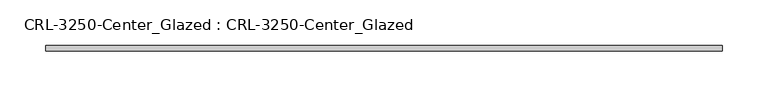
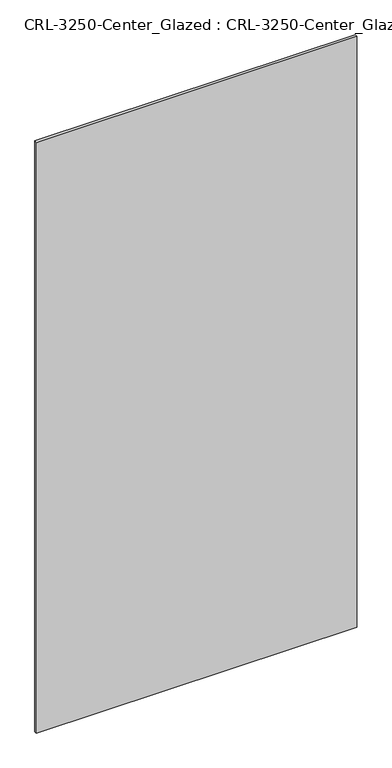
"""IFC4 building model written with IfcOpenShell, lengths in millimetres: plate geometry, CRL-3250-Center_Glazed : CRL-3250-Center_Glazed."""

import ifcopenshell
import ifcopenshell.guid

model = None  # the IFC model being written
_history = None  # IfcOwnerHistory: only IFC2X3 demands one
_inside = {}  # id of a spatial element -> (the spatial element, [elements in it])
_under = {}  # id of a project, library or spatial element -> (it, [spatial elements below it])
_declared = {}  # id of a project -> (the project, [libraries it declares])
_typed = {}  # id of a type object -> (the type object, [elements of that type])
_made_of = {}  # id of a material, layer set ... -> (it, [elements and type objects made of it])


def new_model(schema):
    """Start an empty IFC model of exactly this schema.

    Asked for "IFC4X3", IfcOpenShell would pick the latest addendum, in which some entities
    have other attributes; the version numbers below select the first issue.
    IFC2X3 requires an IfcOwnerHistory on every rooted entity: one is made here for all.
    """
    global model, _history
    if schema == "IFC4X3":
        model = ifcopenshell.file(schema_version=(4, 3, 0, 0))
    else:
        model = ifcopenshell.file(schema=schema)
    _inside.clear()
    _under.clear()
    _declared.clear()
    _typed.clear()
    _made_of.clear()
    _history = None
    if model.schema == "IFC2X3":
        org = make("IfcOrganization", Name="unknown")
        user = make(
            "IfcPersonAndOrganization",
            ThePerson=make("IfcPerson", FamilyName="unknown"),
            TheOrganization=org,
        )
        app = make(
            "IfcApplication",
            ApplicationDeveloper=org,
            Version="unknown",
            ApplicationFullName="unknown",
            ApplicationIdentifier="unknown",
        )
        _history = make(
            "IfcOwnerHistory",
            OwningUser=user,
            OwningApplication=app,
            ChangeAction="ADDED",
            CreationDate=0,
        )
    return model


def make(cls, **values):
    """One entity of the class cls with the attributes given. An attribute that is None is left unset."""
    return model.create_entity(
        cls, **{name: value for name, value in values.items() if value is not None}
    )


def rooted(cls, **values):
    """An entity with a GlobalId (a new one), such as an element, a storey or a relation."""
    return make(cls, GlobalId=ifcopenshell.guid.new(), OwnerHistory=_history, **values)


def si_unit(unit_type, name, prefix=None):
    """IfcSIUnit, for example si_unit("LENGTHUNIT", "METRE", prefix="MILLI")."""
    return make("IfcSIUnit", UnitType=unit_type, Prefix=prefix, Name=name)


def assignment(units):
    """IfcUnitAssignment: the units of a project."""
    return None if units is None else make("IfcUnitAssignment", Units=units)


def point(xyz):
    """IfcCartesianPoint."""
    return None if xyz is None else make("IfcCartesianPoint", Coordinates=xyz)


def direction(xyz):
    """IfcDirection."""
    return None if xyz is None else make("IfcDirection", DirectionRatios=xyz)


def frame(location, z_axis=None, x_axis=None):
    """IfcAxis2Placement3D, a coordinate frame: its origin and axes. An axis left out is left unset."""
    return make(
        "IfcAxis2Placement3D",
        Location=point(location),
        Axis=direction(z_axis),
        RefDirection=direction(x_axis),
    )


def origin():
    """The frame at (0, 0, 0) with its axes left unset."""
    return frame((0.0, 0.0, 0.0))


def origin_with_axes():
    """The frame at (0, 0, 0) with the z axis (0, 0, 1) and the x axis (1, 0, 0) written out."""
    return frame((0.0, 0.0, 0.0), z_axis=(0.0, 0.0, 1.0), x_axis=(1.0, 0.0, 0.0))


def place(relative_to, where):
    """IfcLocalPlacement: puts the frame where relative to a parent placement (None: the world)."""
    return make(
        "IfcLocalPlacement", PlacementRelTo=relative_to, RelativePlacement=where
    )


def context(
    kind, dimensions, precision=None, world=None, true_north=None, identifier=None
):
    """IfcGeometricRepresentationContext, for example the 3D "Model" context."""
    return make(
        "IfcGeometricRepresentationContext",
        ContextIdentifier=identifier,
        ContextType=kind,
        CoordinateSpaceDimension=dimensions,
        Precision=precision,
        WorldCoordinateSystem=world,
        TrueNorth=true_north,
    )


def project(units=None, contexts=None):
    """IfcProject with its units and contexts."""
    return rooted(
        "IfcProject",
        Name="project",
        RepresentationContexts=contexts,
        UnitsInContext=assignment(units),
    )


def spatial(cls, under=None, at=None, **own):
    """A site, building, storey or space (cls), placed at a placement, below another one or the project."""
    s = rooted(cls, ObjectPlacement=at, **own)
    if under is not None:
        _under.setdefault(under.id(), (under, []))[1].append(s)
    return s


def polyline(points):
    """IfcPolyline through the points."""
    return make("IfcPolyline", Points=[point(p) for p in points])


def outline(outer, holes=None, kind="AREA"):
    """IfcArbitraryClosedProfileDef: a profile drawn as a closed curve; with holes, ...WithVoids."""
    if holes is None:
        return make("IfcArbitraryClosedProfileDef", ProfileType=kind, OuterCurve=outer)
    return make(
        "IfcArbitraryProfileDefWithVoids",
        ProfileType=kind,
        OuterCurve=outer,
        InnerCurves=holes,
    )


def extrude(swept, where, along, depth):
    """IfcExtrudedAreaSolid: the profile swept, set in the frame where, extruded along a direction by depth."""
    return make(
        "IfcExtrudedAreaSolid",
        SweptArea=swept,
        Position=where,
        ExtrudedDirection=direction(along),
        Depth=depth,
    )


def shape(context_of_items, identifier, shape_type, items):
    """IfcShapeRepresentation: the items that make up one representation, for example the "Body"."""
    return make(
        "IfcShapeRepresentation",
        ContextOfItems=context_of_items,
        RepresentationIdentifier=identifier,
        RepresentationType=shape_type,
        Items=items,
    )


def source(mapping_origin, context_of_items, identifier, shape_type, items):
    """IfcRepresentationMap: a shape defined once, which mapped items show again and again."""
    return make(
        "IfcRepresentationMap",
        MappingOrigin=mapping_origin,
        MappedRepresentation=shape(context_of_items, identifier, shape_type, items),
    )


def transform(
    local_origin,
    x_axis=None,
    y_axis=None,
    z_axis=None,
    scale=None,
    scale2=None,
    scale3=None,
    uniform=True,
):
    """IfcCartesianTransformationOperator3D, or its non-uniform kind. x_axis, y_axis, z_axis: its Axis1, 2, 3."""
    if uniform:
        return make(
            "IfcCartesianTransformationOperator3D",
            Axis1=direction(x_axis),
            Axis2=direction(y_axis),
            LocalOrigin=point(local_origin),
            Scale=scale,
            Axis3=direction(z_axis),
        )
    return make(
        "IfcCartesianTransformationOperator3DnonUniform",
        Axis1=direction(x_axis),
        Axis2=direction(y_axis),
        LocalOrigin=point(local_origin),
        Scale=scale,
        Axis3=direction(z_axis),
        Scale2=scale2,
        Scale3=scale3,
    )


def mapped(mapping_source, mapping_target):
    """IfcMappedItem: shows the shape of a source again, moved by a transform."""
    return make(
        "IfcMappedItem", MappingSource=mapping_source, MappingTarget=mapping_target
    )


def made_of(thing, what):
    """Note that an element or type object is made of a material, layer set ...; save() writes the relation."""
    if what is not None:
        _made_of.setdefault(what.id(), (what, []))[1].append(thing)
    return thing


def element(
    cls,
    number,
    at=None,
    inside=None,
    cuts=None,
    type_object=None,
    material=None,
    context=None,
    identifier="Body",
    shape_type=None,
    held_by="IfcProductDefinitionShape",
    body=None,
    shapes=None,
    **own,
):
    """One element of the class cls, such as IfcWall. Its Tag is "e" and its number.

    at: its placement. inside: the storey or other place that contains it. cuts: it is an
    opening in that element (IfcRelVoidsElement). A single representation is given by context,
    identifier, shape_type and body (its items); several are given by shapes. held_by: the class
    of the entity that holds the representations. save() writes the other relations.
    """
    e = rooted(cls, Tag="e%d" % number, ObjectPlacement=at, **own)
    if body is not None:
        shapes = [shape(context, identifier, shape_type, body)]
    if shapes is not None:
        e.Representation = make(held_by, Representations=shapes)
    if inside is not None:
        _inside.setdefault(inside.id(), (inside, []))[1].append(e)
    if cuts is not None:
        rooted(
            "IfcRelVoidsElement", RelatingBuildingElement=cuts, RelatedOpeningElement=e
        )
    if type_object is not None:
        _typed.setdefault(type_object.id(), (type_object, []))[1].append(e)
    return made_of(e, material)


def aggregate(whole, parts):
    """IfcRelAggregates: a whole, such as a stair, and the parts it consists of."""
    return rooted("IfcRelAggregates", RelatingObject=whole, RelatedObjects=parts)


def save(model, path):
    """Write the relations noted so far, then the file.

    IfcRelAggregates (storeys below a building ...), IfcRelContainedInSpatialStructure (elements
    in a storey), IfcRelDefinesByType, IfcRelAssociatesMaterial and IfcRelDeclares: one each for
    every whole, place, type object, material and project.
    """
    for whole, parts in _under.values():
        aggregate(whole, parts)
    for where, things in _inside.values():
        rooted(
            "IfcRelContainedInSpatialStructure",
            RelatedElements=things,
            RelatingStructure=where,
        )
    for kind, things in _typed.values():
        rooted("IfcRelDefinesByType", RelatedObjects=things, RelatingType=kind)
    for what, things in _made_of.values():
        rooted("IfcRelAssociatesMaterial", RelatedObjects=things, RelatingMaterial=what)
    for by, libraries in _declared.values():
        rooted("IfcRelDeclares", RelatingContext=by, RelatedDefinitions=libraries)
    model.write(path)


def crl_3250_center_glazed_crl_3250_center_glazed_bfe7cac5(model_context):
    return source(origin(), model_context, "Body", "SweptSolid", [
        extrude(outline(polyline([(371.3833358, -3.1749999), (-371.3833358, -3.1749999), (-371.3833358, 3.1749999), (371.3833358, 3.1749999), (371.3833358, -3.1749999)])), origin_with_axes(), (0.0, 0.0, 1.0), 1447.800003),
    ])


if __name__ == "__main__":
    model = new_model("IFC4")
    model_context = context("Model", 3, world=origin())
    ifc_project = project(units=[si_unit("LENGTHUNIT", "METRE", prefix="MILLI")], contexts=[model_context])
    site = spatial("IfcSite", under=ifc_project)
    building = spatial("IfcBuilding", under=site)
    placement = place(None, origin())
    crl_3250_center_glazed_crl_3250_center_glazed_shape = crl_3250_center_glazed_crl_3250_center_glazed_bfe7cac5(model_context)
    element("IfcPlate", 1, ObjectType="CRL-3250-Center_Glazed : CRL-3250-Center_Glazed", at=placement, inside=building, context=model_context, shape_type="MappedRepresentation", body=[
        mapped(crl_3250_center_glazed_crl_3250_center_glazed_shape, transform((0.0, 0.0, 0.0), x_axis=(1.0, 0.0, 0.0), y_axis=(0.0, 1.0, 0.0), z_axis=(0.0, 0.0, 1.0))),
    ])
    save(model, "model.ifc")
